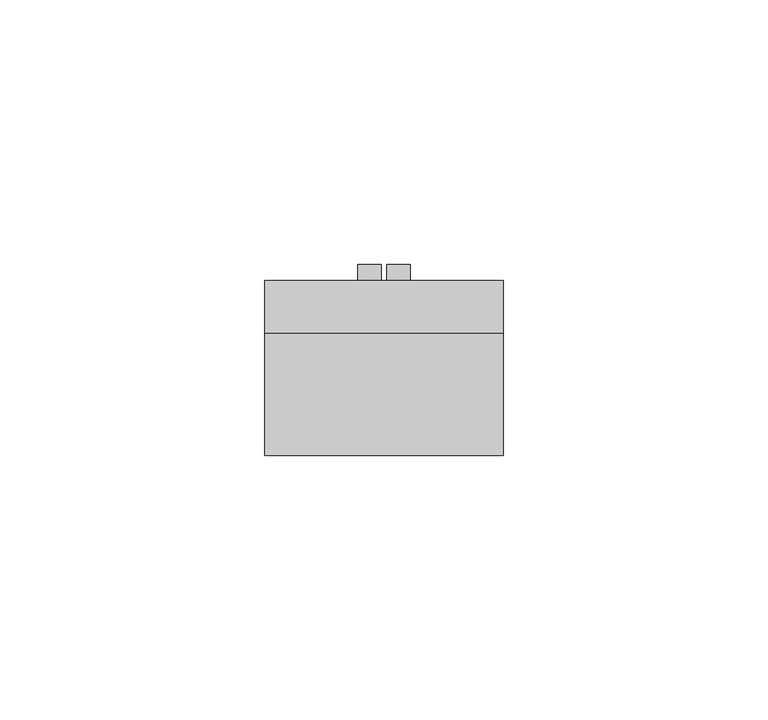
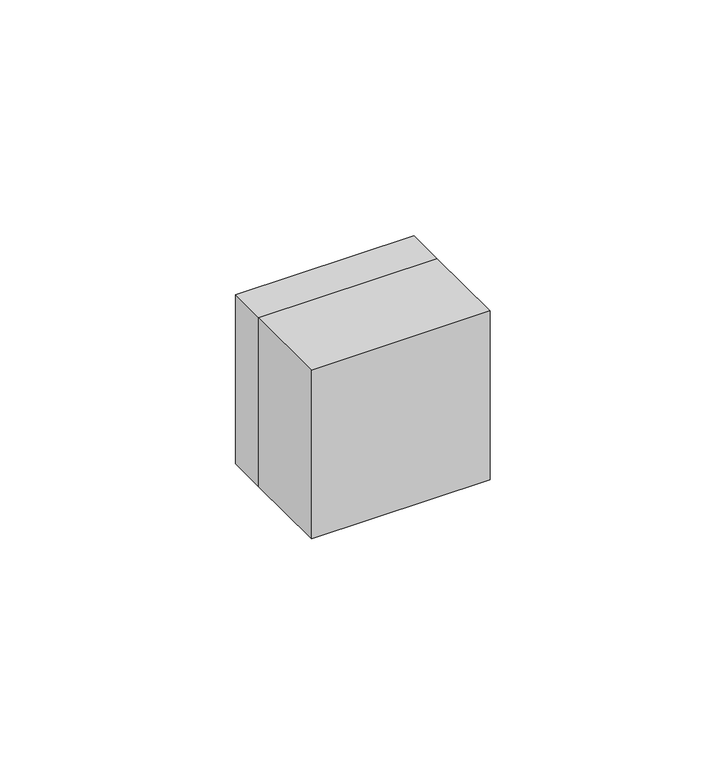
"""IFC4 building model written with IfcOpenShell, lengths in millimetres: electric appliance geometry."""

from ifc_helpers import new_model, si_unit, frame, origin, place, context, project, spatial, polyline, outline, extrude, faceted_brep, source, transform, mapped, element, save


def electric_appliance_2baee362(model_context):
    return source(origin(), model_context, "Body", "SolidModel", [
        extrude(outline(polyline([(22.5, -23.0), (-22.5, -23.0), (-22.5, 0.0), (22.5, 0.0), (22.5, -23.0)])), frame((0.0, 0.0, -22.5), z_axis=(0.0, 0.0, 1.0), x_axis=(1.0, 0.0, 0.0)), (0.0, 0.0, 1.0), 45.0),
        faceted_brep([(22.5, 10.0, 22.5), (22.5, 10.0, -22.5), (-22.5, 10.0, -22.5), (-22.5, 10.0, 22.5), (6.0, 10.0, 6.0), (-6.0, 10.0, 6.0), (-6.0, 10.0, -6.0), (6.0, 10.0, -6.0), (5.5, 10.0, 5.5), (5.5, 10.0, -5.5), (-5.5, 10.0, -5.5), (-5.5, 10.0, 5.5), (22.5, 0.0, 22.5), (-22.5, 0.0, 22.5), (-22.5, 0.0, -22.5), (22.5, 0.0, -22.5), (6.0, 9.0, 6.0), (6.0, 9.0, -6.0), (-6.0, 9.0, -6.0), (-6.0, 9.0, 6.0), (5.5, 9.0, 5.5), (-5.5, 9.0, 5.5), (-5.5, 9.0, -5.5), (5.5, 9.0, -5.5)], [[[0, 1, 2, 3], [4, 5, 6, 7]], [[8, 9, 10, 11]], [[12, 13, 14, 15]], [[0, 3, 13, 12]], [[3, 2, 14, 13]], [[2, 1, 15, 14]], [[1, 0, 12, 15]], [[16, 17, 18, 19], [20, 21, 22, 23]], [[16, 19, 5, 4]], [[19, 18, 6, 5]], [[18, 17, 7, 6]], [[17, 16, 4, 7]], [[20, 23, 9, 8]], [[23, 22, 10, 9]], [[22, 21, 11, 10]], [[21, 20, 8, 11]]]),
        extrude(outline(polyline([(-0.5, 10.0), (-5.0, 10.0), (-5.0, 13.0), (-0.5, 13.0), (-0.5, 10.0)])), frame((0.0, 0.0, -5.0), z_axis=(0.0, 0.0, 1.0), x_axis=(1.0, 0.0, 0.0)), (0.0, 0.0, 1.0), 10.0),
        extrude(outline(polyline([(5.0, 10.0), (0.5, 10.0), (0.5, 13.0), (5.0, 13.0), (5.0, 10.0)])), frame((0.0, 0.0, -5.0), z_axis=(0.0, 0.0, 1.0), x_axis=(1.0, 0.0, 0.0)), (0.0, 0.0, 1.0), 10.0),
    ])


if __name__ == "__main__":
    model = new_model("IFC4")
    model_context = context("Model", 3, world=origin())
    ifc_project = project(units=[si_unit("LENGTHUNIT", "METRE", prefix="MILLI")], contexts=[model_context])
    site = spatial("IfcSite", under=ifc_project)
    building = spatial("IfcBuilding", under=site)
    placement = place(None, origin())
    electric_appliance_shape = electric_appliance_2baee362(model_context)
    element("IfcElectricAppliance", 1, at=placement, inside=building, context=model_context, shape_type="MappedRepresentation", body=[
        mapped(electric_appliance_shape, transform((0.0, 0.0, 0.0), x_axis=(1.0, 0.0, 0.0), y_axis=(0.0, 1.0, 0.0), z_axis=(0.0, 0.0, 1.0))),
    ])
    save(model, "model.ifc")
